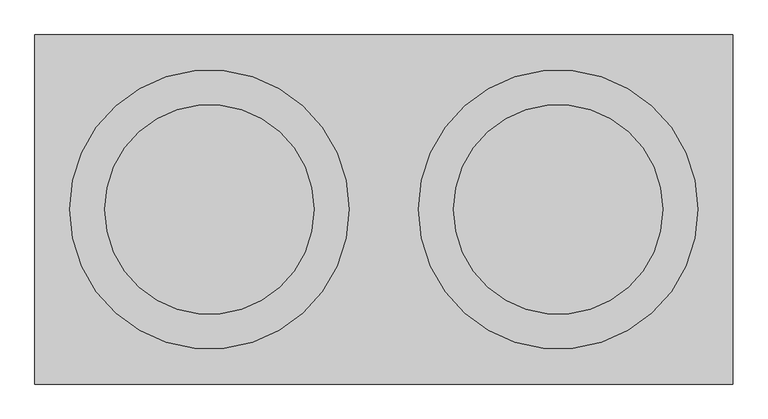
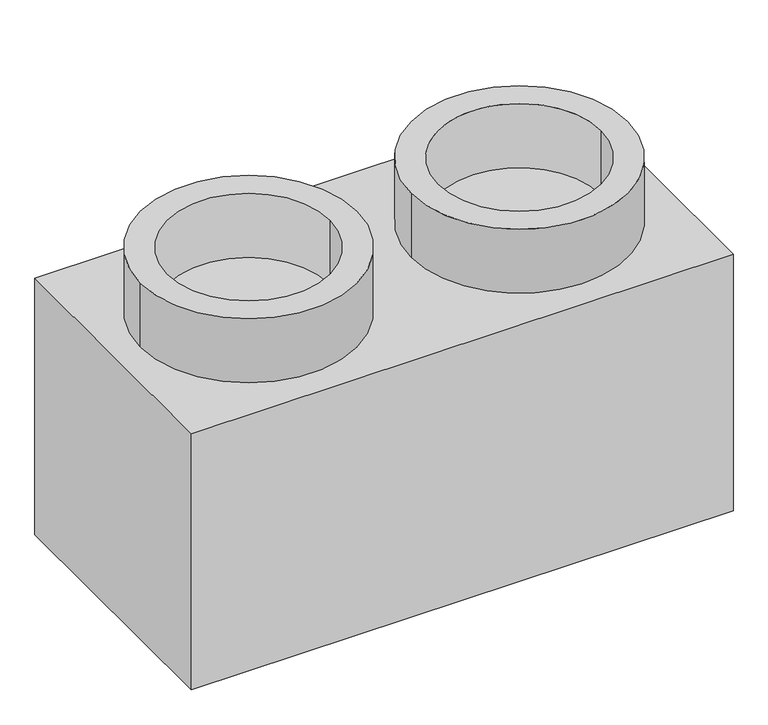
"""IFC4 building model written with IfcOpenShell, lengths in millimetres: proxy geometry."""

from ifc_helpers import new_model, si_unit, point, frame, frame_2d, origin, origin_with_axes, place, context, project, spatial, polyline, circle_curve, trimmed, segment, composite_curve, outline, extrude, source, transform, mapped, element, save


def generic_models_ab5ebb02(model_context):
    return source(origin(), model_context, "Body", "SweptSolid", [
        extrude(outline(composite_curve([segment(trimmed(circle_curve(frame_2d((1500.0, -4500.0)), 400.0), [point((1100.0, -4500.0))], [point((1900.0, -4500.0))], False, "CARTESIAN"), True, "CONTINUOUS"), segment(trimmed(circle_curve(frame_2d((1500.0, -4500.0)), 400.0), [point((1900.0, -4500.0))], [point((1100.0, -4500.0))], False, "CARTESIAN"), True, "CONTINUOUS")], self_intersect=False), holes=[composite_curve([segment(trimmed(circle_curve(frame_2d((1500.0, -4500.0)), 300.0), [point((1200.0, -4500.0))], [point((1800.0, -4500.0))], True, "CARTESIAN"), True, "CONTINUOUS"), segment(trimmed(circle_curve(frame_2d((1500.0, -4500.0)), 300.0), [point((1800.0, -4500.0))], [point((1200.0, -4500.0))], True, "CARTESIAN"), True, "CONTINUOUS")], self_intersect=False)]), frame((0.0, 0.0, 1000.0), z_axis=(0.0, 0.0, 1.0), x_axis=(1.0, 0.0, 0.0)), (0.0, 0.0, 1.0), 250.0),
        extrude(outline(composite_curve([segment(trimmed(circle_curve(frame_2d((500.0, -4500.0)), 400.0), [point((100.0, -4500.0))], [point((900.0, -4500.0))], False, "CARTESIAN"), True, "CONTINUOUS"), segment(trimmed(circle_curve(frame_2d((500.0, -4500.0)), 400.0), [point((900.0, -4500.0))], [point((100.0, -4500.0))], False, "CARTESIAN"), True, "CONTINUOUS")], self_intersect=False), holes=[composite_curve([segment(trimmed(circle_curve(frame_2d((500.0, -4500.0)), 300.0), [point((200.0, -4500.0))], [point((800.0, -4500.0))], True, "CARTESIAN"), True, "CONTINUOUS"), segment(trimmed(circle_curve(frame_2d((500.0, -4500.0)), 300.0), [point((800.0, -4500.0))], [point((200.0, -4500.0))], True, "CARTESIAN"), True, "CONTINUOUS")], self_intersect=False)]), frame((0.0, 0.0, 1000.0), z_axis=(0.0, 0.0, 1.0), x_axis=(1.0, 0.0, 0.0)), (0.0, 0.0, 1.0), 250.0),
        extrude(outline(polyline([(2000.0, -5000.0), (0.0, -5000.0), (0.0, -4000.0), (2000.0, -4000.0), (2000.0, -5000.0)])), origin_with_axes(), (0.0, 0.0, 1.0), 1000.0),
    ])


if __name__ == "__main__":
    model = new_model("IFC4")
    model_context = context("Model", 3, world=origin())
    ifc_project = project(units=[si_unit("LENGTHUNIT", "METRE", prefix="MILLI")], contexts=[model_context])
    site = spatial("IfcSite", under=ifc_project)
    building = spatial("IfcBuilding", under=site)
    placement = place(None, origin())
    generic_models_shape = generic_models_ab5ebb02(model_context)
    element("IfcBuildingElementProxy", 1, Name="Generic Models", at=placement, inside=building, context=model_context, shape_type="MappedRepresentation", body=[
        mapped(generic_models_shape, transform((0.0, 0.0, 0.0), x_axis=(1.0, 0.0, 0.0), y_axis=(0.0, 1.0, 0.0), z_axis=(0.0, 0.0, 1.0))),
    ])
    save(model, "model.ifc")
